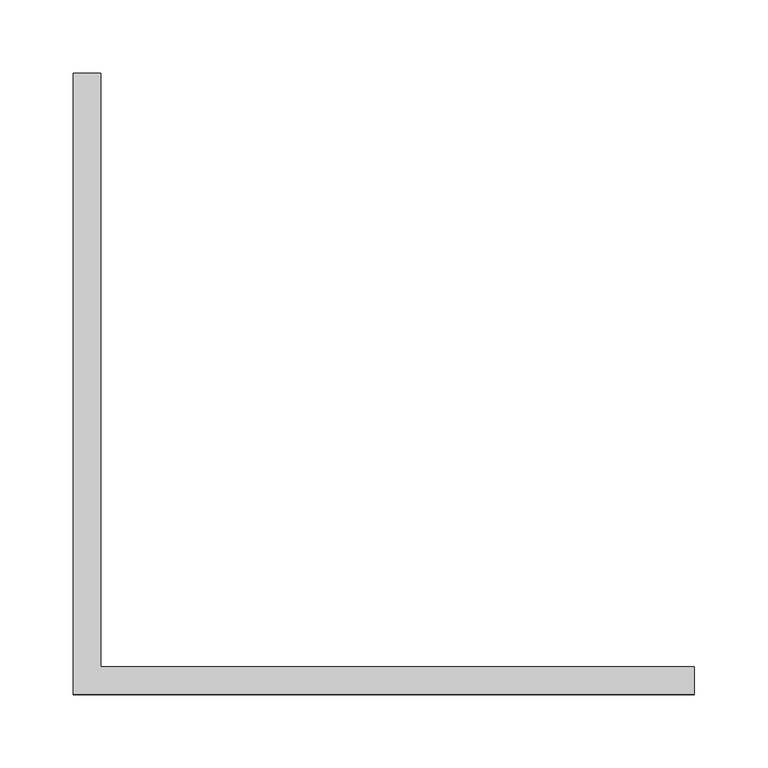
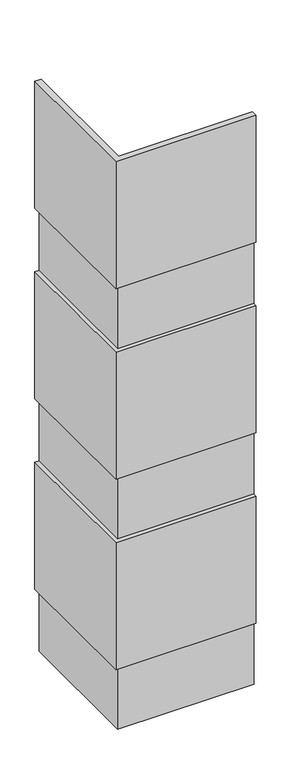
"""IFC4 building model written with IfcOpenShell, lengths in millimetres: proxy geometry."""

from ifc_helpers import new_model, si_unit, origin, place, context, project, spatial, faceted_brep, source, transform, mapped, element, save


def generic_models_8d9c5b32(model_context):
    return source(origin(), model_context, "Body", "Brep", [
        faceted_brep([(-1835.15, 317.5, 1422.4), (-1847.85, 317.5, 1422.4), (-1847.85, 317.5, 1828.8), (-1828.8, 317.5, 1828.8), (-1828.8, 317.5, 1219.2), (-1835.15, 317.5, 1219.2), (-1835.15, -95.25, 1219.2), (-1835.15, -95.25, 1422.4), (-1828.8, -88.9, 1219.2), (-1422.4, -88.9, 1219.2), (-1422.4, -95.25, 1219.2), (-1828.8, -88.9, 1828.8), (-1847.85, -107.95, 1828.8), (-1422.4, -107.95, 1828.8), (-1422.4, -88.9, 1828.8), (-1847.85, -107.95, 1422.4), (-1422.4, -95.25, 1422.4), (-1422.4, -107.95, 1422.4)], [[[0, 1, 2, 3, 4, 5]], [[5, 6, 7, 0]], [[4, 8, 9, 10, 6, 5]], [[3, 11, 8, 4]], [[2, 12, 13, 14, 11, 3]], [[1, 15, 12, 2]], [[0, 7, 16, 17, 15, 1]], [[16, 10, 9, 14, 13, 17]], [[6, 10, 16, 7]], [[11, 14, 9, 8]], [[15, 17, 13, 12]]]),
        faceted_brep([(-1835.15, 317.5, 812.8), (-1847.85, 317.5, 812.8), (-1847.85, 317.5, 1219.2), (-1828.8, 317.5, 1219.2), (-1828.8, 317.5, 609.6), (-1835.15, 317.5, 609.6), (-1835.15, -95.25, 609.6), (-1835.15, -95.25, 812.8), (-1828.8, -88.9, 609.6), (-1422.4, -88.9, 609.6), (-1422.4, -95.25, 609.6), (-1828.8, -88.9, 1219.2), (-1847.85, -107.95, 1219.2), (-1422.4, -107.95, 1219.2), (-1422.4, -88.9, 1219.2), (-1847.85, -107.95, 812.8), (-1422.4, -95.25, 812.8), (-1422.4, -107.95, 812.8)], [[[0, 1, 2, 3, 4, 5]], [[5, 6, 7, 0]], [[4, 8, 9, 10, 6, 5]], [[3, 11, 8, 4]], [[2, 12, 13, 14, 11, 3]], [[1, 15, 12, 2]], [[0, 7, 16, 17, 15, 1]], [[16, 10, 9, 14, 13, 17]], [[6, 10, 16, 7]], [[11, 14, 9, 8]], [[15, 17, 13, 12]]]),
        faceted_brep([(-1835.15, 317.5, 203.2), (-1847.85, 317.5, 203.2), (-1847.85, 317.5, 609.6), (-1828.8, 317.5, 609.6), (-1828.8, 317.5, 0.0), (-1835.15, 317.5, 0.0), (-1835.15, -95.25, 0.0), (-1835.15, -95.25, 203.2), (-1828.8, -88.9, 0.0), (-1422.4, -88.9, 0.0), (-1422.4, -95.25, 0.0), (-1828.8, -88.9, 609.6), (-1847.85, -107.95, 609.6), (-1422.4, -107.95, 609.6), (-1422.4, -88.9, 609.6), (-1847.85, -107.95, 203.2), (-1422.4, -95.25, 203.2), (-1422.4, -107.95, 203.2)], [[[0, 1, 2, 3, 4, 5]], [[5, 6, 7, 0]], [[4, 8, 9, 10, 6, 5]], [[3, 11, 8, 4]], [[2, 12, 13, 14, 11, 3]], [[1, 15, 12, 2]], [[0, 7, 16, 17, 15, 1]], [[16, 10, 9, 14, 13, 17]], [[6, 10, 16, 7]], [[11, 14, 9, 8]], [[15, 17, 13, 12]]]),
    ])


if __name__ == "__main__":
    model = new_model("IFC4")
    model_context = context("Model", 3, world=origin())
    ifc_project = project(units=[si_unit("LENGTHUNIT", "METRE", prefix="MILLI")], contexts=[model_context])
    site = spatial("IfcSite", under=ifc_project)
    building = spatial("IfcBuilding", under=site)
    placement = place(None, origin())
    generic_models_shape = generic_models_8d9c5b32(model_context)
    element("IfcBuildingElementProxy", 1, Name="Generic Models", at=placement, inside=building, context=model_context, shape_type="MappedRepresentation", body=[
        mapped(generic_models_shape, transform((0.0, 0.0, 0.0), x_axis=(1.0, 0.0, 0.0), y_axis=(0.0, 1.0, 0.0), z_axis=(0.0, 0.0, 1.0))),
    ])
    save(model, "model.ifc")
